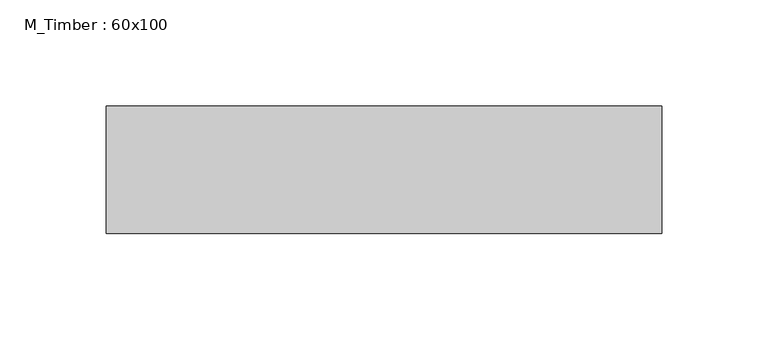
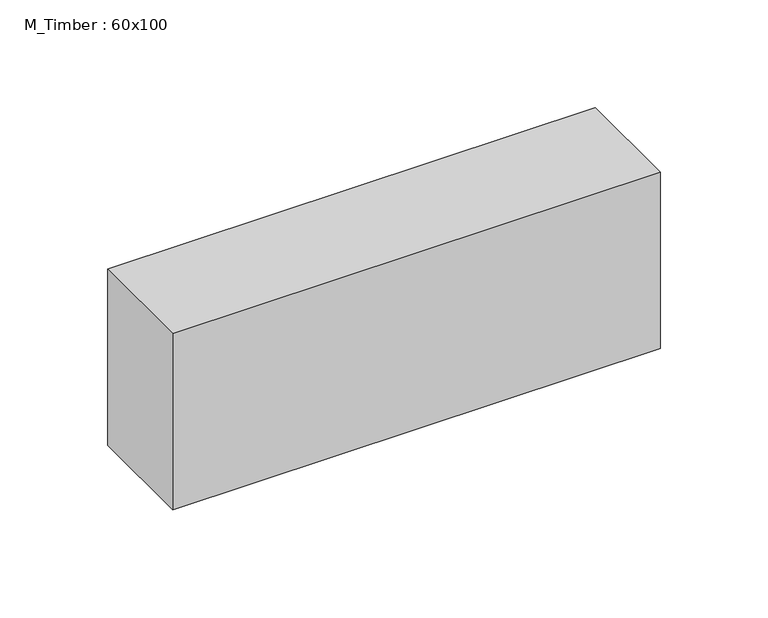
"""IFC4 building model written with IfcOpenShell, lengths in millimetres: beam geometry, M_Timber : 60x100."""

from ifc_helpers import new_model, si_unit, frame, origin, place, context, project, spatial, polyline, outline, extrude, source, transform, mapped, element, save


def m_timber_60x100_e528449b(model_context):
    return source(origin(), model_context, "Body", "SweptSolid", [
        extrude(outline(polyline([(223.7749495, 30.0), (223.7749495, -30.0), (-37.3824675, -30.0), (-37.3824675, 30.0), (223.7749495, 30.0)])), frame((0.0, 0.0, -50.0), z_axis=(0.0, 0.0, 1.0), x_axis=(1.0, 0.0, 0.0)), (0.0, 0.0, 1.0), 100.0),
    ])


if __name__ == "__main__":
    model = new_model("IFC4")
    model_context = context("Model", 3, world=origin())
    ifc_project = project(units=[si_unit("LENGTHUNIT", "METRE", prefix="MILLI")], contexts=[model_context])
    site = spatial("IfcSite", under=ifc_project)
    building = spatial("IfcBuilding", under=site)
    placement = place(None, origin())
    m_timber_60x100_shape = m_timber_60x100_e528449b(model_context)
    element("IfcBeam", 1, ObjectType="M_Timber : 60x100", at=placement, inside=building, context=model_context, shape_type="MappedRepresentation", body=[
        mapped(m_timber_60x100_shape, transform((0.0, 0.0, 0.0), x_axis=(1.0, 0.0, 0.0), y_axis=(0.0, 1.0, 0.0), z_axis=(0.0, 0.0, 1.0))),
    ])
    save(model, "model.ifc")
